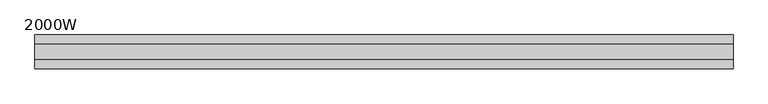
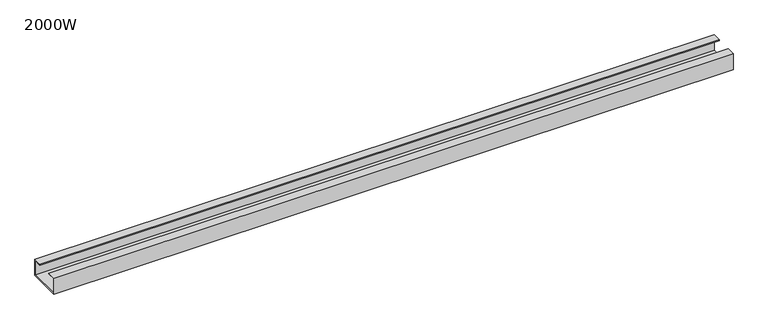
"""IFC4 building model written with IfcOpenShell, lengths in millimetres: furniture geometry, 2000W."""

from ifc_helpers import new_model, si_unit, frame, origin, place, context, project, spatial, polyline, outline, extrude, source, transform, mapped, element, save


def furniture_2000w_736e0f2b(model_context):
    return source(origin(), model_context, "Body", "SweptSolid", [
        extrude(outline(polyline([(47.3, 667.0), (-47.3, 667.0), (-47.3, 715.0), (-22.0, 715.0), (-22.0, 713.0), (-45.3, 713.0), (-45.3, 669.0), (45.3, 669.0), (45.3, 713.0), (22.0, 713.0), (22.0, 715.0), (47.3, 715.0), (47.3, 667.0)])), frame((-975.0, 0.0, 0.0), z_axis=(1.0, 0.0, 0.0), x_axis=(0.0, 1.0, 0.0)), (0.0, 0.0, 1.0), 1950.0),
    ])


if __name__ == "__main__":
    model = new_model("IFC4")
    model_context = context("Model", 3, world=origin())
    ifc_project = project(units=[si_unit("LENGTHUNIT", "METRE", prefix="MILLI")], contexts=[model_context])
    site = spatial("IfcSite", under=ifc_project)
    building = spatial("IfcBuilding", under=site)
    placement = place(None, origin())
    furniture_2000w_shape = furniture_2000w_736e0f2b(model_context)
    element("IfcFurniture", 1, ObjectType="2000W", at=placement, inside=building, context=model_context, shape_type="MappedRepresentation", body=[
        mapped(furniture_2000w_shape, transform((0.0, 0.0, 0.0), x_axis=(1.0, 0.0, 0.0), y_axis=(0.0, 1.0, 0.0), z_axis=(0.0, 0.0, 1.0))),
    ])
    save(model, "model.ifc")
